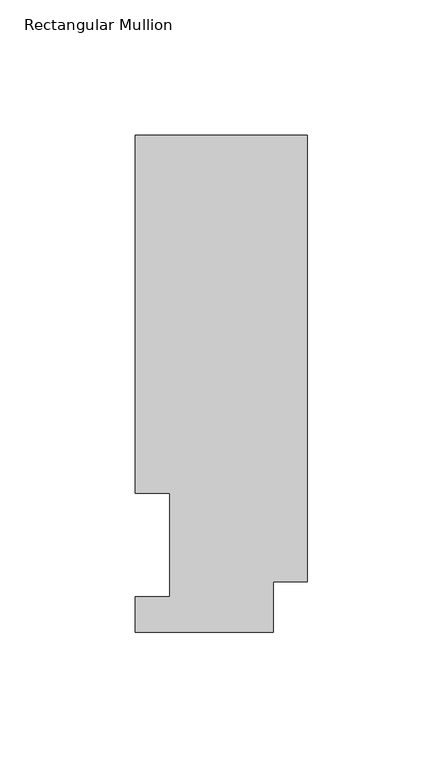
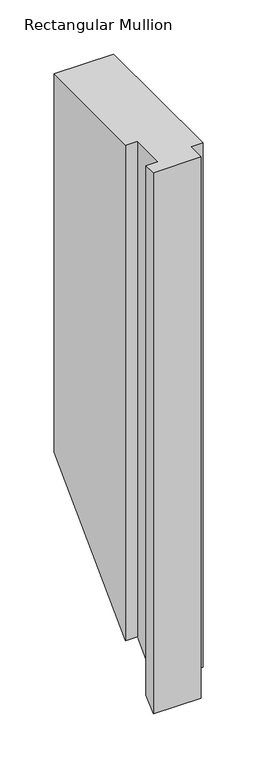
"""IFC4 building model written with IfcOpenShell, lengths in millimetres: member geometry, Rectangular Mullion."""

from ifc_helpers import new_model, si_unit, origin, place, context, project, spatial, faceted_brep, source, transform, mapped, element, save


def rectangular_mullion_eeedd0e6(model_context):
    return source(origin(), model_context, "Body", "Brep", [
        faceted_brep([(0.0, 18.7332937, 0.0), (0.0, 183.4446737, 0.0), (-63.5, 183.4446737, 0.0), (-63.5, 51.2960937, 0.0), (-50.8, 51.2960937, 0.0), (-50.8, 13.1960938, 0.0), (-63.5, 13.1960938, 0.0), (-63.5, 0.0134937, 0.0), (-12.7, 0.0134937, 0.0), (-12.7, 18.7332937, 0.0), (0.0, 18.7332937, -590.8349563), (0.0, 183.4446737, -426.1235763), (-63.5, 183.4446737, -426.1235763), (-63.5, 51.2960937, -558.2721563), (-50.8, 51.2960937, -558.2721563), (-50.8, 13.1960938, -596.3721562), (-63.5, 13.1960938, -596.3721562), (-63.5, 0.0134937, -609.5547563), (-12.7, 0.0134937, -609.5547563), (-12.7, 18.7332937, -590.8349563)], [[[0, 1, 2, 3, 4, 5, 6, 7, 8, 9]], [[1, 0, 10, 11]], [[2, 1, 11, 12]], [[3, 2, 12, 13]], [[4, 3, 13, 14]], [[5, 4, 14, 15]], [[6, 5, 15, 16]], [[7, 6, 16, 17]], [[8, 7, 17, 18]], [[9, 8, 18, 19]], [[0, 9, 19, 10]], [[10, 19, 18, 17, 16, 15, 14, 13, 12, 11]]]),
    ])


if __name__ == "__main__":
    model = new_model("IFC4")
    model_context = context("Model", 3, world=origin())
    ifc_project = project(units=[si_unit("LENGTHUNIT", "METRE", prefix="MILLI")], contexts=[model_context])
    site = spatial("IfcSite", under=ifc_project)
    building = spatial("IfcBuilding", under=site)
    placement = place(None, origin())
    rectangular_mullion_shape = rectangular_mullion_eeedd0e6(model_context)
    element("IfcMember", 1, ObjectType="Rectangular Mullion", at=placement, inside=building, context=model_context, shape_type="MappedRepresentation", body=[
        mapped(rectangular_mullion_shape, transform((0.0, 0.0, 0.0), x_axis=(1.0, 0.0, 0.0), y_axis=(0.0, 1.0, 0.0), z_axis=(0.0, 0.0, 1.0))),
    ])
    save(model, "model.ifc")
